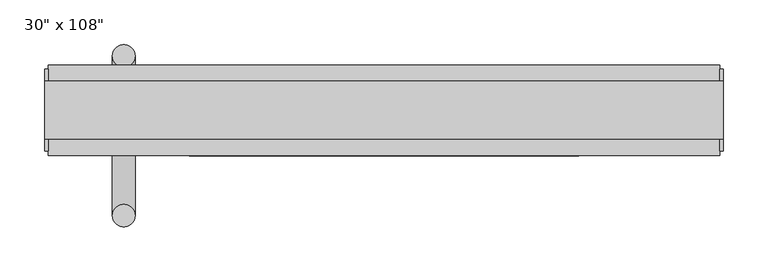
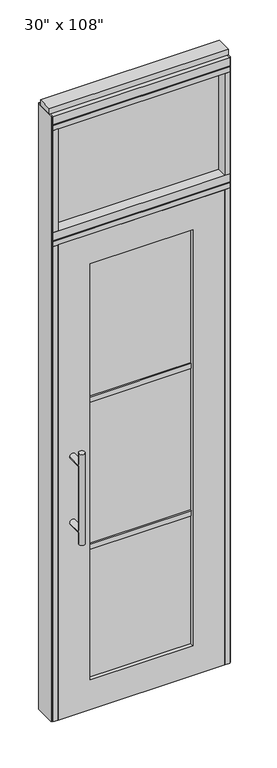
"""IFC4 building model written with IfcOpenShell, lengths in millimetres: furniture geometry."""

from ifc_helpers import new_model, si_unit, frame, origin, origin_with_axes, place, context, project, spatial, polyline, circle_curve, ellipse_curve, outline, extrude, source, transform, mapped, element, save
from ifc_brep_helpers import plane_surface, cylinder_surface, advanced_brep


def furniture_4f57ac1a(model_context):
    return source(origin(), model_context, "Body", "SolidModel", [
        extrude(outline(polyline([(294.8014771, -9.5977216), (-414.8745229, -9.5977216), (-414.8745229, 0.5622784), (294.8014771, 0.5622784), (294.8014771, -9.5977216)])), frame((0.0, 0.0, 2197.1), z_axis=(0.0, 0.0, 1.0), x_axis=(1.0, 0.0, 0.0)), (0.0, 0.0, 1.0), 457.2),
        advanced_brep(
        [(-364.8365229, 56.6962784, 1219.2), (-339.4365229, 56.6962784, 1219.2), (-364.8365229, 56.6962784, 812.8), (-339.4365229, 56.6962784, 812.8), (-339.4365229, 56.6962784, 1164.336), (-339.4365229, 56.6962784, 867.664), (-364.8365229, 56.6962784, 867.664), (-364.8365229, 56.6962784, 1164.336), (-364.8365229, -10.8677216, 1164.336), (-339.4365229, -10.8677216, 1164.336), (-364.8365229, -10.8677216, 867.664), (-339.4365229, -10.8677216, 867.664)],
        [
            (0, 1, circle_curve(frame((-352.1365229, 56.6962784, 1219.2), z_axis=(0.0, 0.0, 1.0), x_axis=(1.0, 0.0, 0.0)), 12.7)),
            (1, 0, circle_curve(frame((-352.1365229, 56.6962784, 1219.2), z_axis=(0.0, 0.0, 1.0), x_axis=(1.0, 0.0, 0.0)), 12.7)),
            (2, 3, circle_curve(frame((-352.1365229, 56.6962784, 812.8), z_axis=(0.0, 0.0, -1.0), x_axis=(1.0, 0.0, 0.0)), 12.7)),
            (3, 2, circle_curve(frame((-352.1365229, 56.6962784, 812.8), z_axis=(0.0, 0.0, -1.0), x_axis=(1.0, 0.0, 0.0)), 12.7)),
            (1, 4),
            (4, 5),
            (5, 3),
            (2, 6),
            (6, 7),
            (7, 0),
            (6, 5, ellipse_curve(frame((-352.1365229, 56.6962784, 867.664), z_axis=(0.0, 0.707106781186565, 0.70710678118653), x_axis=(0.0, -0.70710678118653, 0.707106781186565)), 17.9605122, 12.7)),
            (4, 7, ellipse_curve(frame((-352.1365229, 56.6962784, 1164.336), z_axis=(0.0, 0.70710678118653, -0.7071067811865649), x_axis=(0.0, 0.7071067811865648, 0.7071067811865301)), 17.9605122, 12.7)),
            (7, 4, ellipse_curve(frame((-352.1365229, 56.6962784, 1164.336), z_axis=(0.0, 0.707106781186565, 0.70710678118653), x_axis=(0.0, -0.70710678118653, 0.707106781186565)), 17.9605122, 12.7)),
            (5, 6, ellipse_curve(frame((-352.1365229, 56.6962784, 867.664), z_axis=(0.0, 0.70710678118653, -0.7071067811865649), x_axis=(0.0, 0.7071067811865648, 0.7071067811865301)), 17.9605122, 12.7)),
            (8, 9, circle_curve(frame((-352.1365229, -10.8677216, 1164.336), z_axis=(0.0, -1.0, 0.0), x_axis=(1.0, 0.0, 0.0)), 12.7)),
            (9, 8, circle_curve(frame((-352.1365229, -10.8677216, 1164.336), z_axis=(0.0, -1.0, 0.0), x_axis=(1.0, 0.0, 0.0)), 12.7)),
            (8, 7),
            (4, 9),
            (10, 11, circle_curve(frame((-352.1365229, -10.8677216, 867.664), z_axis=(0.0, -1.0, 0.0), x_axis=(1.0, 0.0, 0.0)), 12.7)),
            (11, 10, circle_curve(frame((-352.1365229, -10.8677216, 867.664), z_axis=(0.0, -1.0, 0.0), x_axis=(1.0, 0.0, 0.0)), 12.7)),
            (10, 6),
            (5, 11),
        ],
        [
            plane_surface(frame((-339.4365229, 56.6962784, 1219.2), z_axis=(0.0, 0.0, 1.0), x_axis=(0.0, -1.0, 0.0))),
            plane_surface(frame((-339.4365229, 56.6962784, 812.8), z_axis=(0.0, 0.0, -1.0), x_axis=(0.0, 1.0, 0.0))),
            cylinder_surface(frame((-352.1365229, 56.6962784, 812.8), z_axis=(0.0, 0.0, 1.0), x_axis=(1.0, 0.0, 0.0)), 12.7),
            plane_surface(frame((-339.4365229, -10.8677216, 1164.336), z_axis=(0.0, -1.0, 0.0), x_axis=(0.0, 0.0, -1.0))),
            cylinder_surface(frame((-352.1365229, -10.8677216, 1164.336), z_axis=(0.0, 1.0, 0.0), x_axis=(1.0, 0.0, 0.0)), 12.7),
            plane_surface(frame((-339.4365229, -10.8677216, 867.664), z_axis=(0.0, -1.0, 0.0), x_axis=(0.0, 0.0, -1.0))),
            cylinder_surface(frame((-352.1365229, -10.8677216, 867.664), z_axis=(0.0, 1.0, 0.0), x_axis=(1.0, 0.0, 0.0)), 12.7),
        ],
        [
            (0, [[1, 2]]),
            (1, [[3, 4]]),
            (2, [[5, 6, 7, -3, 8, 9, 10, -2]]),
            (2, [[-9, 11, -6, 12]]),
            (2, [[-10, 13, -5, -1]]),
            (2, [[-7, 14, -8, -4]]),
            (3, [[15, 16]]),
            (4, [[17, -12, 18, -15]]),
            (4, [[-18, -13, -17, -16]]),
            (5, [[19, 20]]),
            (6, [[21, -14, 22, -19]]),
            (6, [[-22, -11, -21, -20]]),
        ],
    ),
        advanced_brep(
        [(-364.8365229, -122.8817216, 1219.2), (-339.4365229, -122.8817216, 1219.2), (-364.8365229, -122.8817216, 812.8), (-339.4365229, -122.8817216, 812.8), (-364.8365229, -122.8817216, 1164.336), (-364.8365229, -122.8817216, 867.664), (-339.4365229, -122.8817216, 867.664), (-339.4365229, -122.8817216, 1164.336), (-364.8365229, -55.3177216, 1164.336), (-339.4365229, -55.3177216, 1164.336), (-364.8365229, -55.3177216, 867.664), (-339.4365229, -55.3177216, 867.664)],
        [
            (0, 1, circle_curve(frame((-352.1365229, -122.8817216, 1219.2), z_axis=(0.0, 0.0, 1.0), x_axis=(1.0, 0.0, 0.0)), 12.7)),
            (1, 0, circle_curve(frame((-352.1365229, -122.8817216, 1219.2), z_axis=(0.0, 0.0, 1.0), x_axis=(1.0, 0.0, 0.0)), 12.7)),
            (2, 3, circle_curve(frame((-352.1365229, -122.8817216, 812.8), z_axis=(0.0, 0.0, -1.0), x_axis=(1.0, 0.0, 0.0)), 12.7)),
            (3, 2, circle_curve(frame((-352.1365229, -122.8817216, 812.8), z_axis=(0.0, 0.0, -1.0), x_axis=(1.0, 0.0, 0.0)), 12.7)),
            (0, 4),
            (4, 5),
            (5, 2),
            (3, 6),
            (6, 7),
            (7, 1),
            (7, 4, ellipse_curve(frame((-352.1365229, -122.8817216, 1164.336), z_axis=(0.0, -0.707106781186565, 0.70710678118653), x_axis=(0.0, 0.70710678118653, 0.707106781186565)), 17.9605122, 12.7)),
            (5, 6, ellipse_curve(frame((-352.1365229, -122.8817216, 867.664), z_axis=(0.0, -0.70710678118653, -0.7071067811865649), x_axis=(0.0, -0.7071067811865648, 0.7071067811865301)), 17.9605122, 12.7)),
            (4, 7, ellipse_curve(frame((-352.1365229, -122.8817216, 1164.336), z_axis=(0.0, -0.70710678118653, -0.7071067811865649), x_axis=(0.0, -0.7071067811865648, 0.7071067811865301)), 17.9605122, 12.7)),
            (6, 5, ellipse_curve(frame((-352.1365229, -122.8817216, 867.664), z_axis=(0.0, -0.707106781186565, 0.70710678118653), x_axis=(0.0, 0.70710678118653, 0.707106781186565)), 17.9605122, 12.7)),
            (8, 9, circle_curve(frame((-352.1365229, -55.3177216, 1164.336), z_axis=(0.0, 1.0, 0.0), x_axis=(1.0, 0.0, 0.0)), 12.7)),
            (9, 8, circle_curve(frame((-352.1365229, -55.3177216, 1164.336), z_axis=(0.0, 1.0, 0.0), x_axis=(1.0, 0.0, 0.0)), 12.7)),
            (9, 7),
            (4, 8),
            (10, 11, circle_curve(frame((-352.1365229, -55.3177216, 867.664), z_axis=(0.0, 1.0, 0.0), x_axis=(1.0, 0.0, 0.0)), 12.7)),
            (11, 10, circle_curve(frame((-352.1365229, -55.3177216, 867.664), z_axis=(0.0, 1.0, 0.0), x_axis=(1.0, 0.0, 0.0)), 12.7)),
            (11, 6),
            (5, 10),
        ],
        [
            plane_surface(frame((-339.4365229, -122.8817216, 1219.2), z_axis=(0.0, 0.0, 1.0), x_axis=(0.0, 1.0, 0.0))),
            plane_surface(frame((-339.4365229, -122.8817216, 812.8), z_axis=(0.0, 0.0, -1.0), x_axis=(0.0, -1.0, 0.0))),
            cylinder_surface(frame((-352.1365229, -122.8817216, 812.8), z_axis=(0.0, 0.0, 1.0), x_axis=(1.0, 0.0, 0.0)), 12.7),
            plane_surface(frame((-339.4365229, -55.3177216, 1164.336), z_axis=(0.0, 1.0, 0.0), x_axis=(0.0, 0.0, -1.0))),
            cylinder_surface(frame((-352.1365229, -55.3177216, 1164.336), z_axis=(0.0, -1.0, 0.0), x_axis=(1.0, 0.0, 0.0)), 12.7),
            plane_surface(frame((-339.4365229, -55.3177216, 867.664), z_axis=(0.0, 1.0, 0.0), x_axis=(0.0, 0.0, -1.0))),
            cylinder_surface(frame((-352.1365229, -55.3177216, 867.664), z_axis=(0.0, -1.0, 0.0), x_axis=(1.0, 0.0, 0.0)), 12.7),
        ],
        [
            (0, [[1, 2]]),
            (1, [[3, 4]]),
            (2, [[-1, 5, 6, 7, -4, 8, 9, 10]]),
            (2, [[-2, -10, 11, -5]]),
            (2, [[-3, -7, 12, -8]]),
            (2, [[13, -9, 14, -6]]),
            (3, [[15, 16]]),
            (4, [[-16, 17, -13, 18]]),
            (4, [[-15, -18, -11, -17]]),
            (5, [[19, 20]]),
            (6, [[-20, 21, -12, 22]]),
            (6, [[-19, -22, -14, -21]]),
        ],
    ),
        extrude(outline(polyline([(-278.8575229, -44.2052216), (-278.8575229, -21.9802216), (158.7844771, -21.9802216), (158.7844771, -44.2052216), (-278.8575229, -44.2052216)])), frame((0.0, 0.0, 1371.6), z_axis=(0.0, 0.0, 1.0), x_axis=(1.0, 0.0, 0.0)), (0.0, 0.0, 1.0), 22.225),
        extrude(outline(polyline([(-278.8575229, -44.2052216), (-278.8575229, -21.9802216), (158.7844771, -21.9802216), (158.7844771, -44.2052216), (-278.8575229, -44.2052216)])), frame((0.0, 0.0, 711.2), z_axis=(0.0, 0.0, 1.0), x_axis=(1.0, 0.0, 0.0)), (0.0, 0.0, 1.0), 22.225),
        extrude(outline(polyline([(158.7844771, -38.1727216), (-278.8575229, -38.1727216), (-278.8575229, -28.0127216), (158.7844771, -28.0127216), (158.7844771, -38.1727216)])), frame((0.0, 0.0, 132.969), z_axis=(0.0, 0.0, 1.0), x_axis=(1.0, 0.0, 0.0)), (0.0, 0.0, 1.0), 1867.662),
        extrude(outline(polyline([(2133.6, 294.8014771), (2133.6, -414.8745229), (0.0, -414.8745229), (0.0, 294.8014771), (2133.6, 294.8014771)]), holes=[polyline([(2000.631, 158.7844771), (132.969, 158.7844771), (132.969, -278.8575229), (2000.631, -278.8575229), (2000.631, 158.7844771)])]), frame((0.0, -55.3177216, 0.0), z_axis=(0.0, 1.0, 0.0), x_axis=(0.0, 0.0, 1.0)), (0.0, 0.0, 1.0), 44.45),
        extrude(outline(polyline([(-414.8745229, -55.3177216), (-437.0995229, -55.3177216), (-437.0995229, 46.2822784), (-414.8745229, 46.2822784), (-414.8745229, -55.3177216)])), frame((0.0, 0.0, 2197.1), z_axis=(0.0, 0.0, 1.0), x_axis=(1.0, 0.0, 0.0)), (0.0, 0.0, 1.0), 457.2),
        extrude(outline(polyline([(294.8014771, -55.3177216), (294.8014771, 46.2822784), (317.0264771, 46.2822784), (317.0264771, -55.3177216), (294.8014771, -55.3177216)])), frame((0.0, 0.0, 2197.1), z_axis=(0.0, 0.0, 1.0), x_axis=(1.0, 0.0, 0.0)), (0.0, 0.0, 1.0), 457.2),
        extrude(outline(polyline([(-437.0995229, -55.3177216), (-437.0995229, 46.2822784), (317.0264771, 46.2822784), (317.0264771, -55.3177216), (-437.0995229, -55.3177216)])), frame((0.0, 0.0, 2133.6), z_axis=(0.0, 0.0, 1.0), x_axis=(1.0, 0.0, 0.0)), (0.0, 0.0, 1.0), 22.225),
        extrude(outline(polyline([(-55.3177216, 2160.778), (-55.3177216, 2197.1), (46.2822784, 2197.1), (46.2822784, 2160.778), (41.3292784, 2160.778), (41.3292784, 2155.825), (-50.3647216, 2155.825), (-50.3647216, 2160.778), (-55.3177216, 2160.778)])), frame((-437.0995229, 0.0, 0.0), z_axis=(1.0, 0.0, 0.0), x_axis=(0.0, 1.0, 0.0)), (0.0, 0.0, 1.0), 754.126),
        extrude(outline(polyline([(-437.0995229, -55.3177216), (-437.0995229, 46.2822784), (317.0264771, 46.2822784), (317.0264771, -55.3177216), (-437.0995229, -55.3177216)])), frame((0.0, 0.0, 2654.3), z_axis=(0.0, 0.0, 1.0), x_axis=(1.0, 0.0, 0.0)), (0.0, 0.0, 1.0), 22.225),
        extrude(outline(polyline([(320.9634771, -50.3647216), (317.0264771, -50.3647216), (317.0264771, 41.3292784), (320.9634771, 41.3292784), (320.9634771, -50.3647216)])), origin_with_axes(), (0.0, 0.0, 1.0), 2717.8),
        extrude(outline(polyline([(-441.0365229, -50.3647216), (-441.0365229, 41.3292784), (-437.0995229, 41.3292784), (-437.0995229, -50.3647216), (-441.0365229, -50.3647216)])), origin_with_axes(), (0.0, 0.0, 1.0), 2717.8),
        extrude(outline(polyline([(294.8014771, -55.3177216), (294.8014771, 46.2822784), (317.0264771, 46.2822784), (317.0264771, -55.3177216), (294.8014771, -55.3177216)])), origin_with_axes(), (0.0, 0.0, 1.0), 2133.6),
        extrude(outline(polyline([(-414.8745229, -55.3177216), (-437.0995229, -55.3177216), (-437.0995229, 46.2822784), (-414.8745229, 46.2822784), (-414.8745229, -55.3177216)])), origin_with_axes(), (0.0, 0.0, 1.0), 2133.6),
        extrude(outline(polyline([(-55.3177216, 2681.478), (-55.3177216, 2717.8), (46.2822784, 2717.8), (46.2822784, 2681.478), (41.3292784, 2681.478), (41.3292784, 2676.525), (-50.3647216, 2676.525), (-50.3647216, 2681.478), (-55.3177216, 2681.478)])), frame((-437.0995229, 0.0, 0.0), z_axis=(1.0, 0.0, 0.0), x_axis=(0.0, 1.0, 0.0)), (0.0, 0.0, 1.0), 754.126),
        extrude(outline(polyline([(-441.0365229, -37.0297216), (-441.0365229, 27.9942784), (320.9634771, 27.9942784), (320.9634771, -37.0297216), (-441.0365229, -37.0297216)])), frame((0.0, 0.0, 2717.8), z_axis=(0.0, 0.0, 1.0), x_axis=(1.0, 0.0, 0.0)), (0.0, 0.0, 1.0), 25.4),
    ])


if __name__ == "__main__":
    model = new_model("IFC4")
    model_context = context("Model", 3, world=origin())
    ifc_project = project(units=[si_unit("LENGTHUNIT", "METRE", prefix="MILLI")], contexts=[model_context])
    site = spatial("IfcSite", under=ifc_project)
    building = spatial("IfcBuilding", under=site)
    placement = place(None, origin())
    furniture_shape = furniture_4f57ac1a(model_context)
    element("IfcFurniture", 1, ObjectType="30\" x 108\"", at=placement, inside=building, context=model_context, shape_type="MappedRepresentation", body=[
        mapped(furniture_shape, transform((0.0, 0.0, 0.0), x_axis=(1.0, 0.0, 0.0), y_axis=(0.0, 1.0, 0.0), z_axis=(0.0, 0.0, 1.0))),
    ])
    save(model, "model.ifc")
